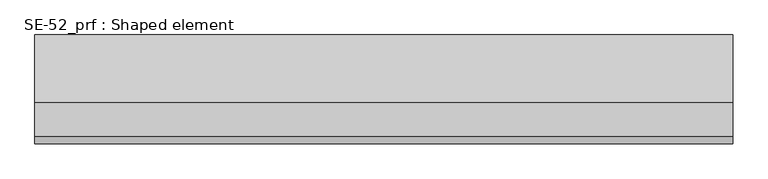
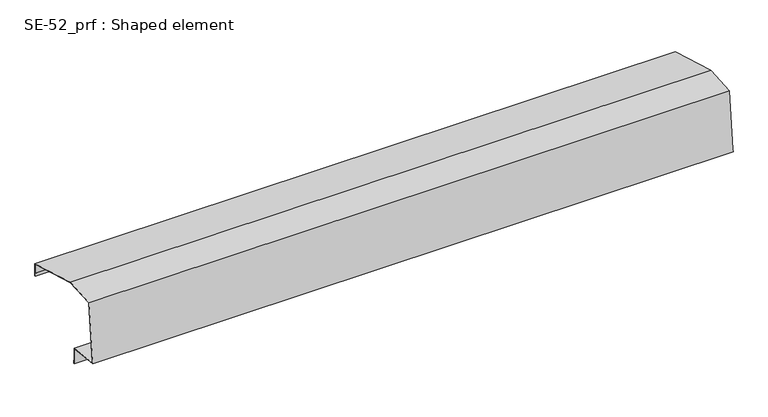
"""IFC4 building model written with IfcOpenShell, lengths in millimetres: proxy geometry, SE-52_prf : Shaped element."""

from ifc_helpers import new_model, si_unit, origin, place, context, project, spatial, faceted_brep, source, transform, mapped, element, save


def se_52_prf_shaped_element_0626ac61(model_context):
    return source(origin(), model_context, "Body", "Brep", [
        faceted_brep([(0.0, -102.7585477, 0.0), (0.0, -103.764056, 0.0), (0.0, -84.5917815, 182.4120064), (0.0, 15.1646235, 189.3876538), (0.0, 207.4169627, 134.2601827), (0.0, 207.4169627, 94.2601827), (0.0, 204.4169627, 94.2601827), (0.0, 204.4169627, 104.2601827), (0.0, 205.4169627, 104.2601827), (0.0, 205.4169627, 95.2601827), (0.0, 206.4169627, 95.2601827), (0.0, 206.4169627, 133.5066286), (0.0, 15.0584825, 188.3777898), (0.0, -83.6849694, 181.472975), (0.0, -103.3531392, -5.6571602), (0.0, -4.0, -16.099596), (0.0, -4.0, -66.0), (0.0, -3.0, -66.0), (0.0, -3.0, -57.0), (0.0, -2.0, -57.0), (0.0, -2.0, -67.0), (0.0, -5.0, -67.0), (0.0, -5.0, -17.0), (0.0, -104.4521895, -6.5471537), (2000.0, -103.764056, 0.0), (2000.0, -102.7585477, 0.0), (2000.0, -83.6849694, 181.472975), (2000.0, 15.0584825, 188.3777898), (2000.0, 206.4169627, 133.5066286), (2000.0, 206.4169627, 95.2601827), (2000.0, 205.4169627, 95.2601827), (2000.0, 205.4169627, 104.2601827), (2000.0, 204.4169627, 104.2601827), (2000.0, 204.4169627, 94.2601827), (2000.0, 207.4169627, 94.2601827), (2000.0, 207.4169627, 134.2601827), (2000.0, 15.1646235, 189.3876538), (2000.0, -84.5917815, 182.4120064), (2000.0, -104.4521895, -6.5471537), (2000.0, -5.0, -17.0), (2000.0, -5.0, -67.0), (2000.0, -2.0, -67.0), (2000.0, -2.0, -57.0), (2000.0, -3.0, -57.0), (2000.0, -3.0, -66.0), (2000.0, -4.0, -66.0), (2000.0, -4.0, -16.099596), (2000.0, -103.3531392, -5.6571602)], [[[0, 1, 2, 3, 4, 5, 6, 7, 8, 9, 10, 11, 12, 13]], [[1, 0, 14, 15, 16, 17, 18, 19, 20, 21, 22, 23]], [[24, 25, 26, 27, 28, 29, 30, 31, 32, 33, 34, 35, 36, 37]], [[25, 24, 38, 39, 40, 41, 42, 43, 44, 45, 46, 47]], [[23, 22, 39, 38]], [[22, 21, 40, 39]], [[7, 6, 33, 32]], [[21, 20, 41, 40]], [[20, 19, 42, 41]], [[6, 5, 34, 33]], [[9, 8, 31, 30]], [[5, 4, 35, 34]], [[4, 3, 36, 35]], [[3, 2, 37, 36]], [[2, 1, 23, 38, 24, 37]], [[19, 18, 43, 42]], [[18, 17, 44, 43]], [[17, 16, 45, 44]], [[16, 15, 46, 45]], [[15, 14, 47, 46]], [[0, 13, 26, 25, 47, 14]], [[13, 12, 27, 26]], [[12, 11, 28, 27]], [[11, 10, 29, 28]], [[10, 9, 30, 29]], [[8, 7, 32, 31]]]),
    ])


if __name__ == "__main__":
    model = new_model("IFC4")
    model_context = context("Model", 3, world=origin())
    ifc_project = project(units=[si_unit("LENGTHUNIT", "METRE", prefix="MILLI")], contexts=[model_context])
    site = spatial("IfcSite", under=ifc_project)
    building = spatial("IfcBuilding", under=site)
    placement = place(None, origin())
    se_52_prf_shaped_element_shape = se_52_prf_shaped_element_0626ac61(model_context)
    element("IfcBuildingElementProxy", 1, Name="SE-52_prf : Shaped element", ObjectType="SE-52_prf : Shaped element", at=placement, inside=building, context=model_context, shape_type="MappedRepresentation", body=[
        mapped(se_52_prf_shaped_element_shape, transform((0.0, 0.0, 0.0), x_axis=(1.0, 0.0, 0.0), y_axis=(0.0, 1.0, 0.0), z_axis=(0.0, 0.0, 1.0))),
    ])
    save(model, "model.ifc")
